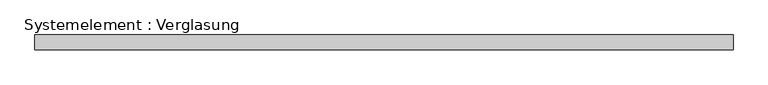
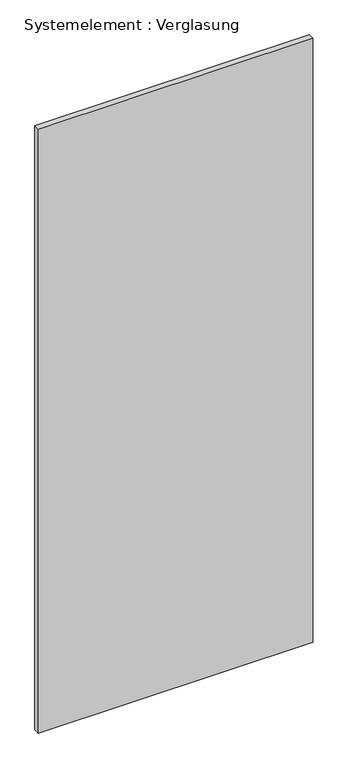
"""IFC4 building model written with IfcOpenShell, lengths in millimetres: plate geometry, Systemelement : Verglasung."""

from ifc_helpers import new_model, si_unit, origin, origin_with_axes, place, context, project, spatial, polyline, outline, extrude, source, transform, mapped, element, save


def systemelement_verglasung_942d8bfb(model_context):
    return source(origin(), model_context, "Body", "SweptSolid", [
        extrude(outline(polyline([(707.3201191, -15.0), (-707.3201191, -15.0), (-707.3201191, 15.0), (707.3201191, 15.0), (707.3201191, -15.0)])), origin_with_axes(), (0.0, 0.0, 1.0), 3290.0),
    ])


if __name__ == "__main__":
    model = new_model("IFC4")
    model_context = context("Model", 3, world=origin())
    ifc_project = project(units=[si_unit("LENGTHUNIT", "METRE", prefix="MILLI")], contexts=[model_context])
    site = spatial("IfcSite", under=ifc_project)
    building = spatial("IfcBuilding", under=site)
    placement = place(None, origin())
    systemelement_verglasung_shape = systemelement_verglasung_942d8bfb(model_context)
    element("IfcPlate", 1, ObjectType="Systemelement : Verglasung", at=placement, inside=building, context=model_context, shape_type="MappedRepresentation", body=[
        mapped(systemelement_verglasung_shape, transform((0.0, 0.0, 0.0), x_axis=(1.0, 0.0, 0.0), y_axis=(0.0, 1.0, 0.0), z_axis=(0.0, 0.0, 1.0))),
    ])
    save(model, "model.ifc")
